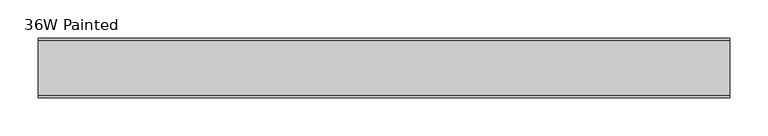
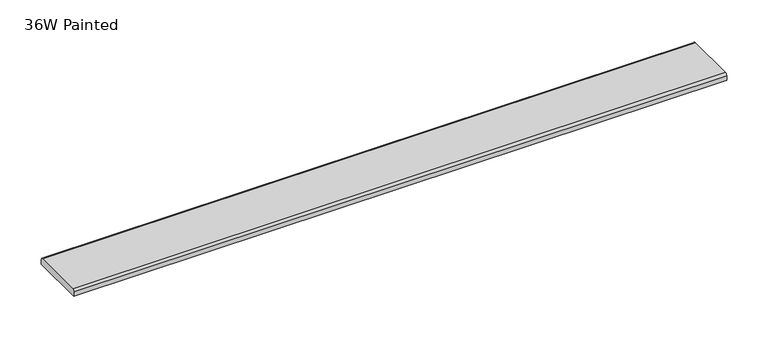
"""IFC4 building model written with IfcOpenShell, lengths in millimetres: furniture geometry, 36W Painted."""

from ifc_helpers import new_model, si_unit, point, frame, frame_2d, origin, place, context, project, spatial, polyline, circle_curve, trimmed, segment, composite_curve, outline, extrude, source, transform, mapped, element, save


def furniture_36w_painted_ce5ba47e(model_context):
    return source(origin(), model_context, "Body", "SweptSolid", [
        extrude(outline(composite_curve([segment(polyline([(37.5704018, 1156.716), (37.5704018, 1150.366), (-40.8679732, 1150.366), (-40.8679732, 1156.716)]), True, "CONTINUOUS"), segment(trimmed(circle_curve(frame_2d((-37.6929732, 1156.716)), 3.175), [point((-40.8679732, 1156.716))], [point((-37.6929732, 1159.891))], False, "CARTESIAN"), True, "CONTINUOUS"), segment(polyline([(-37.6929732, 1159.891), (34.3954018, 1159.891)]), True, "CONTINUOUS"), segment(trimmed(circle_curve(frame_2d((34.3954018, 1156.716)), 3.175), [point((34.3954018, 1159.891))], [point((37.5704018, 1156.716))], False, "CARTESIAN"), True, "CONTINUOUS")], self_intersect=False)), frame((-454.974325, 0.0, 0.0), z_axis=(1.0, 0.0, 0.0), x_axis=(0.0, 1.0, 0.0)), (0.0, 0.0, 1.0), 909.955),
    ])


if __name__ == "__main__":
    model = new_model("IFC4")
    model_context = context("Model", 3, world=origin())
    ifc_project = project(units=[si_unit("LENGTHUNIT", "METRE", prefix="MILLI")], contexts=[model_context])
    site = spatial("IfcSite", under=ifc_project)
    building = spatial("IfcBuilding", under=site)
    placement = place(None, origin())
    furniture_36w_painted_shape = furniture_36w_painted_ce5ba47e(model_context)
    element("IfcFurniture", 1, ObjectType="36W Painted", at=placement, inside=building, context=model_context, shape_type="MappedRepresentation", body=[
        mapped(furniture_36w_painted_shape, transform((0.0, 0.0, 0.0), x_axis=(1.0, 0.0, 0.0), y_axis=(0.0, 1.0, 0.0), z_axis=(0.0, 0.0, 1.0))),
    ])
    save(model, "model.ifc")
